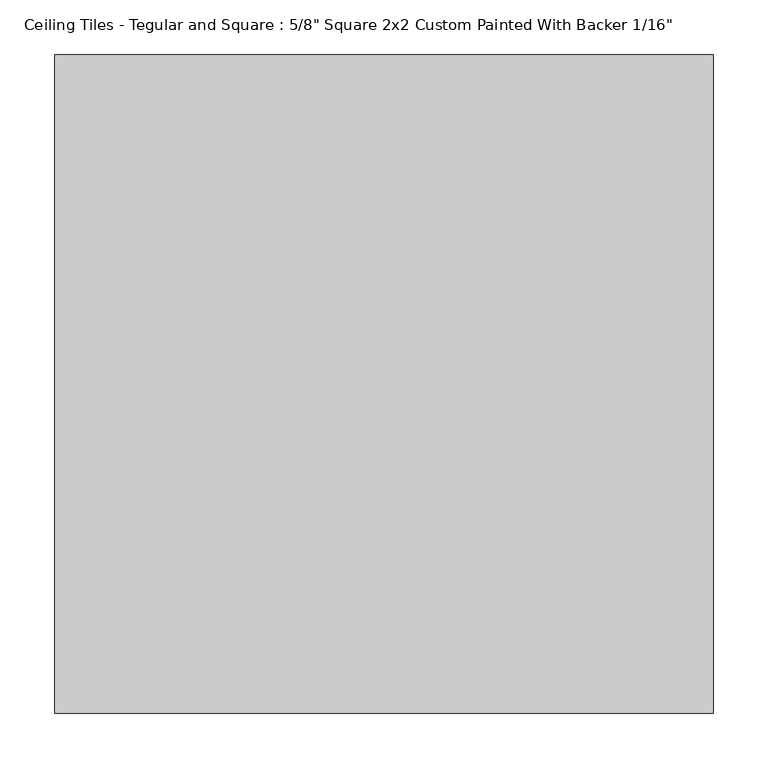
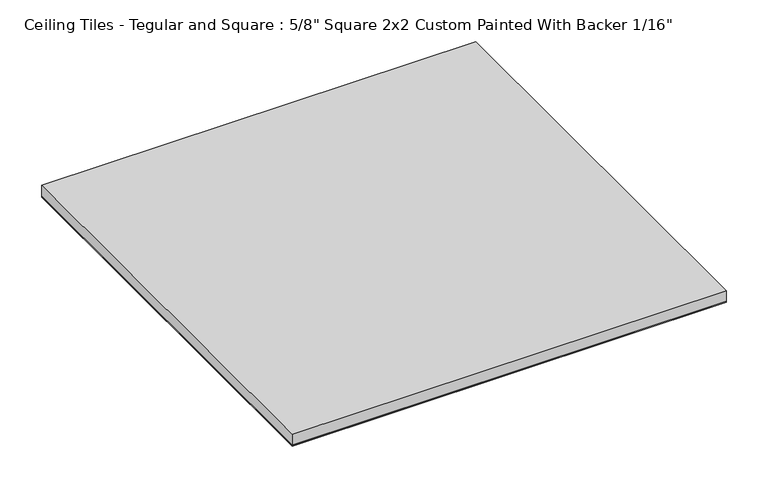
"""IFC4 building model written with IfcOpenShell, lengths in millimetres: proxy geometry."""

from ifc_helpers import new_model, si_unit, frame, origin, origin_with_axes, place, context, project, spatial, polyline, outline, extrude, source, transform, mapped, element, save


def proxy_01badf91(model_context):
    return source(origin(), model_context, "Body", "SweptSolid", [
        extrude(outline(polyline([(301.625, 301.625), (301.625, -301.625), (-301.625, -301.625), (-301.625, 301.625), (301.625, 301.625)])), origin_with_axes(), (0.0, 0.0, 1.0), 1.5875),
        extrude(outline(polyline([(-301.625, 301.625), (301.625, 301.625), (301.625, -301.625), (-301.625, -301.625), (-301.625, 301.625)])), frame((0.0, 0.0, 1.5875), z_axis=(0.0, 0.0, 1.0), x_axis=(1.0, 0.0, 0.0)), (0.0, 0.0, 1.0), 15.875),
    ])


if __name__ == "__main__":
    model = new_model("IFC4")
    model_context = context("Model", 3, world=origin())
    ifc_project = project(units=[si_unit("LENGTHUNIT", "METRE", prefix="MILLI")], contexts=[model_context])
    site = spatial("IfcSite", under=ifc_project)
    building = spatial("IfcBuilding", under=site)
    placement = place(None, origin())
    proxy_shape = proxy_01badf91(model_context)
    element("IfcBuildingElementProxy", 1, Name="Ceiling Tiles - Tegular and Square : 5/8\" Square 2x2 Custom Painted With Backer 1/16\"", ObjectType="Ceiling Tiles - Tegular and Square : 5/8\" Square 2x2 Custom Painted With Backer 1/16\"", at=placement, inside=building, context=model_context, shape_type="MappedRepresentation", body=[
        mapped(proxy_shape, transform((0.0, 0.0, 0.0), x_axis=(1.0, 0.0, 0.0), y_axis=(0.0, 1.0, 0.0), z_axis=(0.0, 0.0, 1.0))),
    ])
    save(model, "model.ifc")
